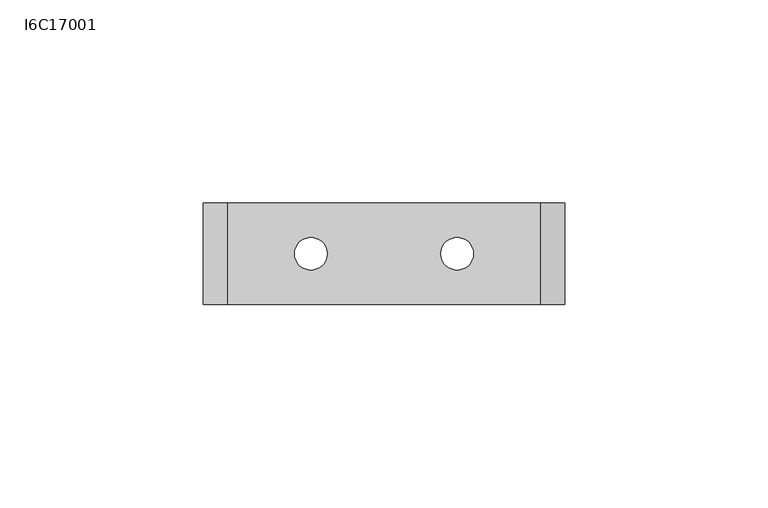
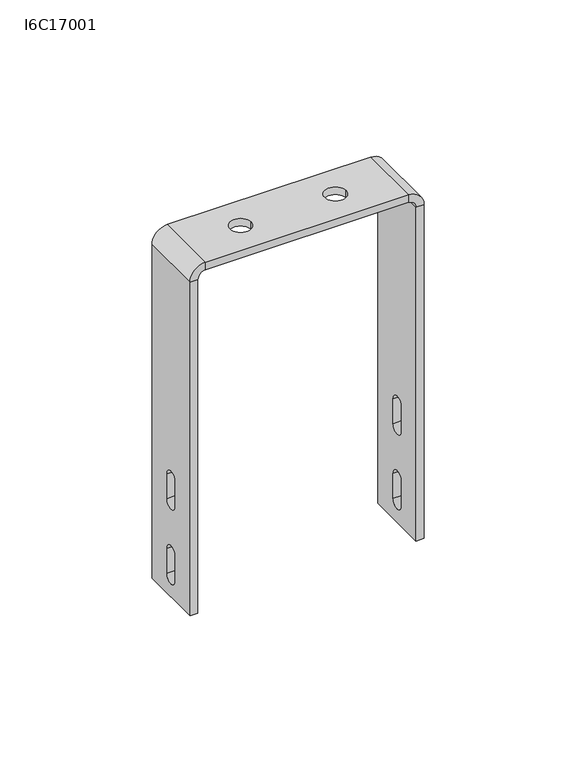
"""IFC4 building model written with IfcOpenShell, lengths in millimetres: proxy geometry, I6C17001."""

from ifc_helpers import new_model, si_unit, frame, origin, place, context, project, spatial, polyline, circle_curve, source, transform, mapped, element, save
from ifc_brep_helpers import plane_surface, cylinder_surface, revolved_surface, advanced_brep


def i6c17001_f319e974(model_context):
    return source(origin(), model_context, "Body", "AdvancedBrep", [
        advanced_brep(
        [(14.0, 0.0, 137.0), (14.0, 0.0, 140.0), (22.0, 0.0, 140.0), (22.0, 0.0, 137.0), (-22.0, 0.0, 137.0), (-22.0, 0.0, 140.0), (-14.0, 0.0, 140.0), (-14.0, 0.0, 137.0), (41.5, -2.6, 18.0), (41.5, 2.6, 18.0), (44.5, 2.6, 18.0), (44.5, -2.6, 18.0), (-44.5, -2.6, 18.0), (-44.5, 2.6, 18.0), (-41.5, 2.6, 18.0), (-41.5, -2.6, 18.0), (41.5, 2.6, 8.0), (44.5, 2.6, 8.0), (41.5, -2.6, 8.0), (44.5, -2.6, 8.0), (-44.5, -2.6, 8.0), (-41.5, -2.6, 8.0), (-44.5, 2.6, 8.0), (-41.5, 2.6, 8.0), (41.5, -2.6, 48.0), (41.5, 2.6, 48.0), (44.5, 2.6, 48.0), (44.5, -2.6, 48.0), (-44.5, -2.6, 48.0), (-44.5, 2.6, 48.0), (-41.5, 2.6, 48.0), (-41.5, -2.6, 48.0), (41.5, 2.6, 38.0), (44.5, 2.6, 38.0), (41.5, -2.6, 38.0), (44.5, -2.6, 38.0), (-44.5, -2.6, 38.0), (-41.5, -2.6, 38.0), (-44.5, 2.6, 38.0), (-41.5, 2.6, 38.0), (-41.5, -12.5, 134.0), (-44.5, -12.5, 134.0), (-44.5, -12.5, 0.0), (-41.5, -12.5, 0.0), (-41.5, 12.5, 134.0), (-38.5, 12.5, 137.0), (-38.5, -12.5, 137.0), (-44.5, 12.5, 134.0), (-44.5, 12.5, 0.0), (-38.5, 12.5, 140.0), (-41.5, 12.5, 0.0), (-38.5, -12.5, 140.0), (38.5, -12.5, 140.0), (38.5, 12.5, 140.0), (38.5, -12.5, 137.0), (38.5, 12.5, 137.0), (41.5, 12.5, 134.0), (41.5, -12.5, 134.0), (44.5, 12.5, 134.0), (44.5, -12.5, 134.0), (44.5, -12.5, 0.0), (44.5, 12.5, 0.0), (41.5, -12.5, 0.0), (41.5, 12.5, 0.0)],
        [
            (0, 1),
            (1, 2, circle_curve(frame((18.0, 0.0, 140.0), z_axis=(0.0, 0.0, 1.0), x_axis=(-1.0, 0.0, 0.0)), 4.0)),
            (2, 3),
            (3, 0, circle_curve(frame((18.0, 0.0, 137.0), z_axis=(0.0, 0.0, -1.0), x_axis=(-1.0, 0.0, 0.0)), 4.0)),
            (4, 5),
            (5, 6, circle_curve(frame((-18.0, 0.0, 140.0), z_axis=(0.0, 0.0, 1.0), x_axis=(-1.0, 0.0, 0.0)), 4.0)),
            (6, 7),
            (7, 4, circle_curve(frame((-18.0, 0.0, 137.0), z_axis=(0.0, 0.0, -1.0), x_axis=(-1.0, 0.0, 0.0)), 4.0)),
            (4, 7, circle_curve(frame((-18.0, 0.0, 137.0), z_axis=(0.0, 0.0, -1.0), x_axis=(-1.0, 0.0, 0.0)), 4.0)),
            (6, 5, circle_curve(frame((-18.0, 0.0, 140.0), z_axis=(0.0, 0.0, 1.0), x_axis=(-1.0, 0.0, 0.0)), 4.0)),
            (0, 3, circle_curve(frame((18.0, 0.0, 137.0), z_axis=(0.0, 0.0, -1.0), x_axis=(-1.0, 0.0, 0.0)), 4.0)),
            (2, 1, circle_curve(frame((18.0, 0.0, 140.0), z_axis=(0.0, 0.0, 1.0), x_axis=(-1.0, 0.0, 0.0)), 4.0)),
            (8, 9, circle_curve(frame((41.5, 0.0, 18.0), z_axis=(-1.0, 0.0, 0.0), x_axis=(0.0, 1.0, 0.0)), 2.6)),
            (9, 10),
            (10, 11, circle_curve(frame((44.5, 0.0, 18.0), z_axis=(1.0, 0.0, 0.0), x_axis=(0.0, 1.0, 0.0)), 2.6)),
            (11, 8),
            (12, 13, circle_curve(frame((-44.5, 0.0, 18.0), z_axis=(-1.0, 0.0, 0.0), x_axis=(0.0, 1.0, 0.0)), 2.6)),
            (13, 14),
            (14, 15, circle_curve(frame((-41.5, 0.0, 18.0), z_axis=(1.0, 0.0, 0.0), x_axis=(0.0, 1.0, 0.0)), 2.6)),
            (15, 12),
            (9, 16),
            (16, 17),
            (17, 10),
            (18, 8),
            (11, 19),
            (19, 18),
            (20, 12),
            (15, 21),
            (21, 20),
            (16, 18, circle_curve(frame((41.5, 0.0, 8.0), z_axis=(-1.0, 0.0, 0.0), x_axis=(0.0, -1.0, 0.0)), 2.6)),
            (19, 17, circle_curve(frame((44.5, 0.0, 8.0), z_axis=(1.0, 0.0, 0.0), x_axis=(0.0, -1.0, 0.0)), 2.6)),
            (22, 20, circle_curve(frame((-44.5, 0.0, 8.0), z_axis=(-1.0, 0.0, 0.0), x_axis=(0.0, -1.0, 0.0)), 2.6)),
            (21, 23, circle_curve(frame((-41.5, 0.0, 8.0), z_axis=(1.0, 0.0, 0.0), x_axis=(0.0, -1.0, 0.0)), 2.6)),
            (23, 22),
            (13, 22),
            (23, 14),
            (24, 25, circle_curve(frame((41.5, 0.0, 48.0), z_axis=(-1.0, 0.0, 0.0), x_axis=(0.0, 1.0, 0.0)), 2.6)),
            (25, 26),
            (26, 27, circle_curve(frame((44.5, 0.0, 48.0), z_axis=(1.0, 0.0, 0.0), x_axis=(0.0, 1.0, 0.0)), 2.6)),
            (27, 24),
            (28, 29, circle_curve(frame((-44.5, 0.0, 48.0), z_axis=(-1.0, 0.0, 0.0), x_axis=(0.0, 1.0, 0.0)), 2.6)),
            (29, 30),
            (30, 31, circle_curve(frame((-41.5, 0.0, 48.0), z_axis=(1.0, 0.0, 0.0), x_axis=(0.0, 1.0, 0.0)), 2.6)),
            (31, 28),
            (25, 32),
            (32, 33),
            (33, 26),
            (34, 24),
            (27, 35),
            (35, 34),
            (36, 28),
            (31, 37),
            (37, 36),
            (32, 34, circle_curve(frame((41.5, 0.0, 38.0), z_axis=(-1.0, 0.0, 0.0), x_axis=(0.0, -1.0, 0.0)), 2.6)),
            (35, 33, circle_curve(frame((44.5, 0.0, 38.0), z_axis=(1.0, 0.0, 0.0), x_axis=(0.0, -1.0, 0.0)), 2.6)),
            (38, 36, circle_curve(frame((-44.5, 0.0, 38.0), z_axis=(-1.0, 0.0, 0.0), x_axis=(0.0, -1.0, 0.0)), 2.6)),
            (37, 39, circle_curve(frame((-41.5, 0.0, 38.0), z_axis=(1.0, 0.0, 0.0), x_axis=(0.0, -1.0, 0.0)), 2.6)),
            (39, 38),
            (29, 38),
            (39, 30),
            (40, 41),
            (41, 42),
            (42, 43),
            (43, 40),
            (40, 44),
            (44, 45, circle_curve(frame((-38.5, 12.5, 134.0), z_axis=(0.0, 1.0, 0.0), x_axis=(0.0, 0.0, 1.0)), 3.0)),
            (45, 46),
            (46, 40, circle_curve(frame((-38.5, -12.5, 134.0), z_axis=(0.0, -1.0, 0.0), x_axis=(0.0, 0.0, 1.0)), 3.0)),
            (41, 47),
            (47, 48),
            (48, 42),
            (44, 47),
            (47, 49, circle_curve(frame((-38.5, 12.5, 134.0), z_axis=(0.0, 1.0, 0.0), x_axis=(0.0, 0.0, 1.0)), 6.0)),
            (49, 45),
            (44, 50),
            (50, 48),
            (49, 51),
            (51, 52),
            (52, 53),
            (53, 49),
            (43, 50),
            (51, 46),
            (46, 54),
            (54, 52),
            (51, 41, circle_curve(frame((-38.5, -12.5, 134.0), z_axis=(0.0, -1.0, 0.0), x_axis=(0.0, 0.0, 1.0)), 6.0)),
            (54, 55),
            (55, 56, circle_curve(frame((38.5, 12.5, 134.0), z_axis=(0.0, 1.0, 0.0), x_axis=(1.0, 0.0, 0.0)), 3.0)),
            (56, 57),
            (57, 54, circle_curve(frame((38.5, -12.5, 134.0), z_axis=(0.0, -1.0, 0.0), x_axis=(1.0, 0.0, 0.0)), 3.0)),
            (55, 53),
            (53, 58, circle_curve(frame((38.5, 12.5, 134.0), z_axis=(0.0, 1.0, 0.0), x_axis=(1.0, 0.0, 0.0)), 6.0)),
            (58, 56),
            (58, 59),
            (59, 60),
            (60, 61),
            (61, 58),
            (55, 45),
            (59, 57),
            (57, 62),
            (62, 60),
            (61, 63),
            (63, 56),
            (62, 63),
            (59, 52, circle_curve(frame((38.5, -12.5, 134.0), z_axis=(0.0, -1.0, 0.0), x_axis=(1.0, 0.0, 0.0)), 6.0)),
        ],
        [
            revolved_surface(polyline([(14.0, 0.0, 137.0), (14.0, 0.0, 140.0)]), (18.0, 0.0, 140.0), (0.0, 0.0, -1.0)),
            revolved_surface(polyline([(-22.0, 0.0, 137.0), (-22.0, 0.0, 140.0)]), (-18.0, 0.0, 140.0), (0.0, 0.0, -1.0)),
            revolved_surface(polyline([(41.5, 2.6, 18.0), (44.5, 2.6, 18.0)]), (44.5, 0.0, 18.0), (-1.0, 0.0, 0.0)),
            revolved_surface(polyline([(-44.5, 2.6, 18.0), (-41.5, 2.6, 18.0)]), (44.5, 0.0, 18.0), (-1.0, 0.0, 0.0)),
            plane_surface(frame((44.5, 2.6, 18.0), z_axis=(0.0, -1.0, 0.0), x_axis=(0.0, 0.0, -1.0))),
            plane_surface(frame((44.5, -2.6, 8.0), z_axis=(0.0, 1.0, 0.0), x_axis=(0.0, 0.0, 1.0))),
            revolved_surface(polyline([(41.5, -2.6, 8.0), (44.5, -2.6, 8.0)]), (44.5, 0.0, 8.0), (-1.0, 0.0, 0.0)),
            revolved_surface(polyline([(-44.5, -2.6, 8.0), (-41.5, -2.6, 8.0)]), (44.5, 0.0, 8.0), (-1.0, 0.0, 0.0)),
            revolved_surface(polyline([(41.5, 2.6, 48.0), (44.5, 2.6, 48.0)]), (44.5, 0.0, 48.0), (-1.0, 0.0, 0.0)),
            revolved_surface(polyline([(-44.5, 2.6, 48.0), (-41.5, 2.6, 48.0)]), (44.5, 0.0, 48.0), (-1.0, 0.0, 0.0)),
            plane_surface(frame((44.5, 2.6, 48.0), z_axis=(0.0, -1.0, 0.0), x_axis=(0.0, 0.0, -1.0))),
            plane_surface(frame((44.5, -2.6, 38.0), z_axis=(0.0, 1.0, 0.0), x_axis=(0.0, 0.0, 1.0))),
            revolved_surface(polyline([(41.5, -2.6, 38.0), (44.5, -2.6, 38.0)]), (44.5, 0.0, 38.0), (-1.0, 0.0, 0.0)),
            revolved_surface(polyline([(-44.5, -2.6, 38.0), (-41.5, -2.6, 38.0)]), (44.5, 0.0, 38.0), (-1.0, 0.0, 0.0)),
            plane_surface(frame((-41.5, -12.5, 134.0), z_axis=(0.0, -1.0, 0.0), x_axis=(0.0, 0.0, 1.0))),
            revolved_surface(polyline([(-38.5, -12.5, 137.0), (-38.5, 12.5, 137.0)]), (-38.5, 0.0, 134.0), (0.0, -1.0, 0.0)),
            plane_surface(frame((-44.5, 0.0, 179.2858401), z_axis=(-1.0, 0.0, 0.0), x_axis=(0.0, 0.0, 1.0))),
            plane_surface(frame((-44.5, 12.5, 134.0), z_axis=(0.0, 1.0, 0.0), x_axis=(0.0, 0.0, 1.0))),
            plane_surface(frame((-41.5, 12.5, 224.5716803), z_axis=(0.0, 1.0, 0.0), x_axis=(0.0, 0.0, -1.0))),
            plane_surface(frame((0.0, 0.0, 140.0), z_axis=(0.0, 0.0, 1.0), x_axis=(1.0, 0.0, 0.0))),
            plane_surface(frame((-41.5, 0.0, 179.2858401), z_axis=(1.0, 0.0, 0.0), x_axis=(0.0, 0.0, 1.0))),
            plane_surface(frame((-45.2858401, -12.5, 137.0), z_axis=(0.0, -1.0, 0.0), x_axis=(1.0, 0.0, 0.0))),
            plane_surface(frame((-41.5, -12.5, 134.0), z_axis=(0.0, -1.0, 0.0), x_axis=(0.0, 0.0, -1.0))),
            revolved_surface(polyline([(41.5, -12.5, 134.0), (41.5, 12.5, 134.0)]), (38.5, 0.0, 134.0), (0.0, -1.0, 0.0)),
            cylinder_surface(frame((-38.5, 0.0, 134.0), z_axis=(0.0, -1.0, 0.0), x_axis=(0.0, 0.0, 1.0)), 6.0),
            plane_surface(frame((38.5, 12.5, 140.0), z_axis=(0.0, 1.0, 0.0), x_axis=(0.0, 0.0, 1.0))),
            plane_surface(frame((44.5, 0.0, 179.2858401), z_axis=(1.0, 0.0, 0.0), x_axis=(0.0, 0.0, -1.0))),
            plane_surface(frame((45.2858401, 12.5, 137.0), z_axis=(0.0, 1.0, 0.0), x_axis=(-1.0, 0.0, 0.0))),
            plane_surface(frame((0.0, 0.0, 137.0), z_axis=(0.0, 0.0, -1.0), x_axis=(1.0, 0.0, 0.0))),
            plane_surface(frame((41.5, -12.5, 224.5716803), z_axis=(0.0, -1.0, 0.0), x_axis=(0.0, 0.0, -1.0))),
            plane_surface(frame((41.5, 12.5, 134.0), z_axis=(0.0, 1.0, 0.0), x_axis=(0.0, 0.0, 1.0))),
            plane_surface(frame((41.5, 12.5, 0.0), z_axis=(0.0, 0.0, -1.0), x_axis=(-1.0, 0.0, 0.0))),
            plane_surface(frame((38.5, -12.5, 137.0), z_axis=(0.0, -1.0, 0.0), x_axis=(0.0, 0.0, -1.0))),
            plane_surface(frame((-41.5, -12.5, 0.0), z_axis=(0.0, 0.0, -1.0), x_axis=(-1.0, 0.0, 0.0))),
            cylinder_surface(frame((38.5, 0.0, 134.0), z_axis=(0.0, -1.0, 0.0), x_axis=(1.0, 0.0, 0.0)), 6.0),
            plane_surface(frame((41.5, 0.0, 179.2858401), z_axis=(-1.0, 0.0, 0.0), x_axis=(0.0, 0.0, -1.0))),
        ],
        [
            (0, [[1, 2, 3, 4]]),
            (1, [[5, 6, 7, 8]]),
            (1, [[-5, 9, -7, 10]]),
            (0, [[-1, 11, -3, 12]]),
            (2, [[13, 14, 15, 16]]),
            (3, [[17, 18, 19, 20]]),
            (4, [[21, 22, 23, -14]]),
            (5, [[24, -16, 25, 26]]),
            (5, [[27, -20, 28, 29]]),
            (6, [[30, -26, 31, -22]]),
            (7, [[32, -29, 33, 34]]),
            (4, [[35, -34, 36, -18]]),
            (8, [[37, 38, 39, 40]]),
            (9, [[41, 42, 43, 44]]),
            (10, [[45, 46, 47, -38]]),
            (11, [[48, -40, 49, 50]]),
            (11, [[51, -44, 52, 53]]),
            (12, [[54, -50, 55, -46]]),
            (13, [[56, -53, 57, 58]]),
            (10, [[59, -58, 60, -42]]),
            (14, [[61, 62, 63, 64]]),
            (15, [[65, 66, 67, 68]]),
            (16, [[69, 70, 71, -62], [-32, -35, -17, -27], [-56, -59, -41, -51]]),
            (17, [[72, 73, 74, -66]]),
            (18, [[-72, 75, 76, -70]]),
            (19, [[77, 78, 79, 80], [-2, -12], [-6, -10]]),
            (20, [[-65, -64, 81, -75], [-33, -28, -19, -36], [-57, -52, -43, -60]]),
            (21, [[82, 83, 84, -78]]),
            (22, [[-61, -68, -82, 85]]),
            (23, [[86, 87, 88, 89]]),
            (24, [[-69, -85, -77, -73]]),
            (25, [[90, 91, 92, -87]]),
            (26, [[93, 94, 95, 96], [-31, -25, -15, -23], [-55, -49, -39, -47]]),
            (27, [[-74, -80, -90, 97]]),
            (28, [[-67, -97, -86, -83], [-9, -8], [-11, -4]]),
            (29, [[98, 99, 100, -94]]),
            (30, [[-92, -96, 101, 102]]),
            (31, [[-95, -100, 103, -101]]),
            (32, [[-84, -89, -98, 104]]),
            (33, [[-71, -76, -81, -63]]),
            (34, [[-79, -104, -93, -91]]),
            (35, [[-88, -102, -103, -99], [-30, -21, -13, -24], [-54, -45, -37, -48]]),
        ],
    ),
    ])


if __name__ == "__main__":
    model = new_model("IFC4")
    model_context = context("Model", 3, world=origin())
    ifc_project = project(units=[si_unit("LENGTHUNIT", "METRE", prefix="MILLI")], contexts=[model_context])
    site = spatial("IfcSite", under=ifc_project)
    building = spatial("IfcBuilding", under=site)
    placement = place(None, origin())
    i6c17001_shape = i6c17001_f319e974(model_context)
    element("IfcBuildingElementProxy", 1, Name="I6C17001", ObjectType="I6C17001", at=placement, inside=building, context=model_context, shape_type="MappedRepresentation", body=[
        mapped(i6c17001_shape, transform((0.0, 0.0, 0.0), x_axis=(1.0, 0.0, 0.0), y_axis=(0.0, 1.0, 0.0), z_axis=(0.0, 0.0, 1.0))),
    ])
    save(model, "model.ifc")
